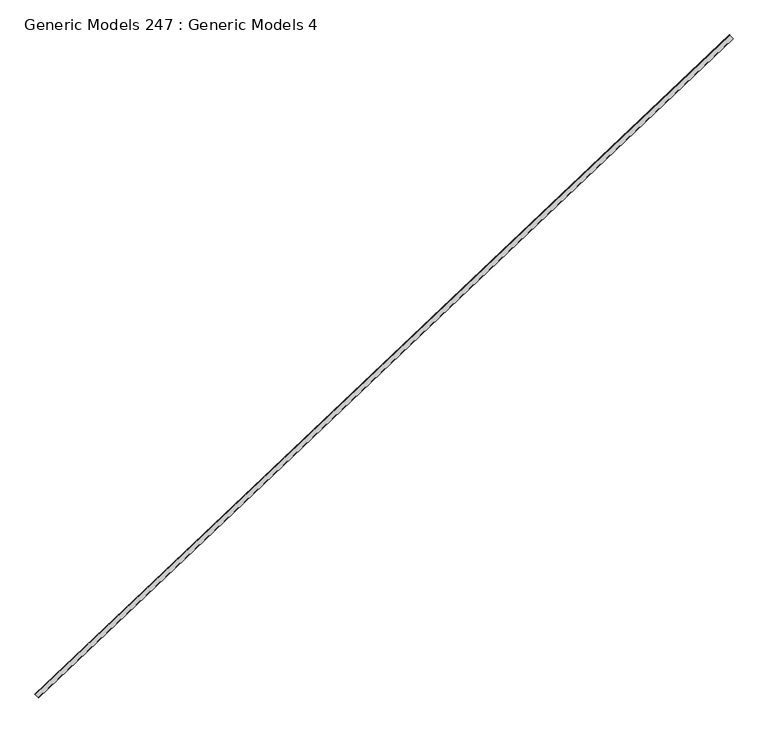
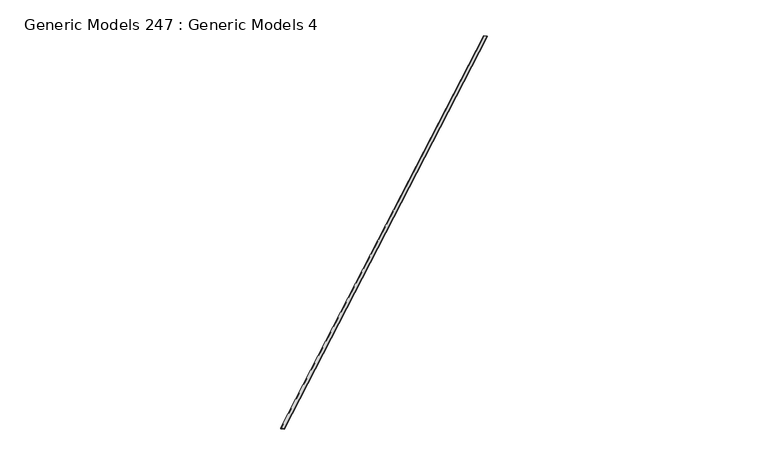
"""IFC4 building model written with IfcOpenShell, lengths in millimetres: proxy geometry, Generic Models 247 : Generic Models 4."""

from ifc_helpers import new_model, si_unit, point, frame, frame_2d, origin, place, context, project, spatial, polyline, circle_curve, trimmed, segment, composite_curve, outline, extrude, source, transform, mapped, element, save


def generic_models_247_generic_models_4_7f9826ac(model_context):
    return source(origin(), model_context, "Body", "SweptSolid", [
        extrude(outline(composite_curve([segment(polyline([(9.128125, 50.8), (9.128125, 0.0)]), True, "CONTINUOUS"), segment(trimmed(circle_curve(frame_2d((4.5640625, -4.4149557)), 6.35), [point((9.128125, 0.0))], [point((0.0, 0.0))], True, "CARTESIAN"), True, "CONTINUOUS"), segment(polyline([(0.0, 0.0), (0.0, 50.8)]), True, "CONTINUOUS"), segment(trimmed(circle_curve(frame_2d((4.5640625, 55.2149557)), 6.35), [point((0.0, 50.8))], [point((9.128125, 50.8))], True, "CARTESIAN"), True, "CONTINUOUS")], self_intersect=False)), frame((103178.651192, 41020.2840273, 18336.4593279), z_axis=(0.725374371012385, 0.6883545756936514, 0.0), x_axis=(0.0, 0.0, 1.0)), (0.0, 0.0, 1.0), 9239.25),
    ])


if __name__ == "__main__":
    model = new_model("IFC4")
    model_context = context("Model", 3, world=origin())
    ifc_project = project(units=[si_unit("LENGTHUNIT", "METRE", prefix="MILLI")], contexts=[model_context])
    site = spatial("IfcSite", under=ifc_project)
    building = spatial("IfcBuilding", under=site)
    placement = place(None, origin())
    generic_models_247_generic_models_4_shape = generic_models_247_generic_models_4_7f9826ac(model_context)
    element("IfcBuildingElementProxy", 1, Name="Generic Models 247 : Generic Models 4", ObjectType="Generic Models 247 : Generic Models 4", at=placement, inside=building, context=model_context, shape_type="MappedRepresentation", body=[
        mapped(generic_models_247_generic_models_4_shape, transform((0.0, 0.0, 0.0), x_axis=(1.0, 0.0, 0.0), y_axis=(0.0, 1.0, 0.0), z_axis=(0.0, 0.0, 1.0))),
    ])
    save(model, "model.ifc")
